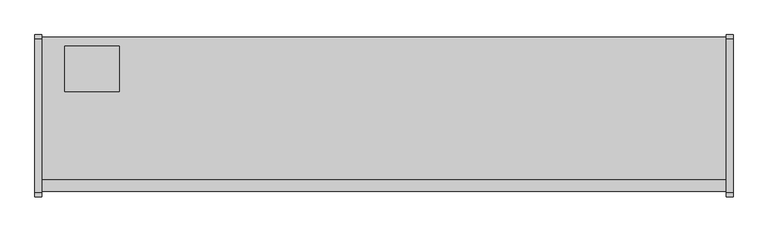
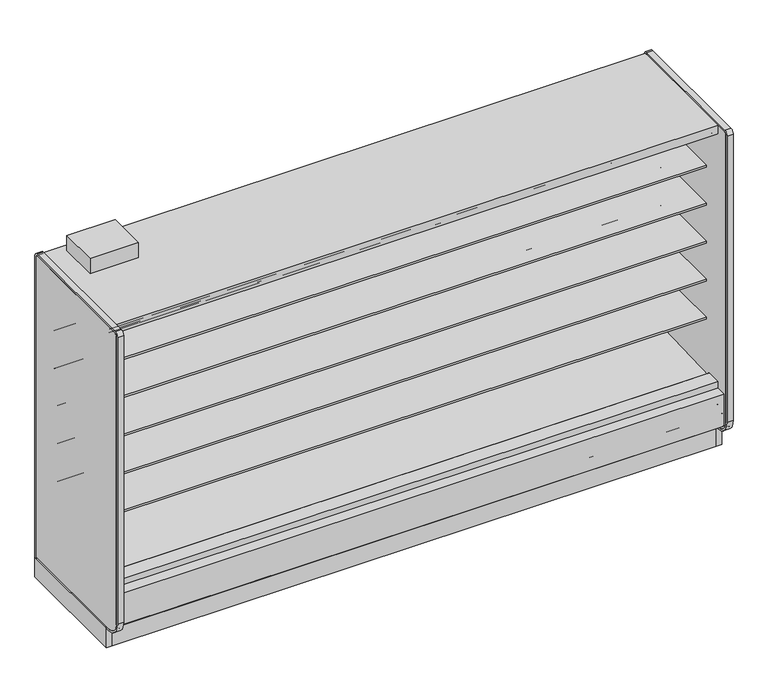
"""IFC4 building model written with IfcOpenShell, lengths in millimetres: proxy geometry."""

from ifc_helpers import new_model, si_unit, point, frame, frame_2d, origin, origin_with_axes, place, context, project, spatial, polyline, circle_curve, trimmed, segment, composite_curve, outline, extrude, source, transform, mapped, element, save


def mechanical_equipment_7a9daabf(model_context):
    return source(origin(), model_context, "Body", "SweptSolid", [
        extrude(outline(polyline([(0.0, -76.2), (0.0, 0.0), (3810.0, 0.0), (3810.0, -76.2), (0.0, -76.2)])), frame((3810.0, -1069.7024444, 2067.8753304), z_axis=(0.0, 0.08686991344759683, 0.9962196635971442), x_axis=(-1.0, 0.0, 0.0)), (0.0, 0.0, 1.0), 13.49375),
        extrude(outline(polyline([(-1116.7224764, 0.0), (-1116.7224764, 200.9830033), (-1104.0224764, 190.326438), (-1104.0224764, 0.0), (-1116.7224764, 0.0)])), frame((0.0, 0.0, 0.0), z_axis=(1.0, 0.0, 0.0), x_axis=(0.0, 1.0, 0.0)), (0.0, 0.0, 1.0), 3810.0),
        extrude(outline(composite_curve([segment(polyline([(-453.852044, 1714.883004), (-464.9599362, 1714.6666869)]), True, "CONTINUOUS"), segment(trimmed(circle_curve(frame_2d((-465.4478819, 1739.7227147)), 25.0607786), [point((-464.9599362, 1714.6666869))], [point((-481.3552045, 1720.3578055))], False, "CARTESIAN"), True, "CONTINUOUS"), segment(polyline([(-481.3552045, 1720.3578055), (-519.5769051, 1751.4410741)]), True, "CONTINUOUS"), segment(trimmed(circle_curve(frame_2d((-559.6413782, 1702.1755893)), 63.5), [point((-519.5769051, 1751.4410741))], [point((-552.7883688, 1765.304713))], True, "CARTESIAN"), True, "CONTINUOUS"), segment(polyline([(-552.7883688, 1765.304713), (-892.1960421, 1797.9152031), (-892.1960421, 1802.1995295), (-1012.652044, 1802.1995295), (-1012.652044, 1815.6932795), (-453.852044, 1815.6932795), (-453.852044, 1714.883004)]), True, "CONTINUOUS")], self_intersect=False)), frame((0.0, 0.0, 0.0), z_axis=(1.0, 0.0, 0.0), x_axis=(0.0, 1.0, 0.0)), (0.0, 0.0, 1.0), 3810.0),
        extrude(outline(composite_curve([segment(polyline([(-453.852044, 698.883004), (-464.9599362, 698.6666869)]), True, "CONTINUOUS"), segment(trimmed(circle_curve(frame_2d((-465.4478819, 723.7227147)), 25.0607786), [point((-464.9599362, 698.6666869))], [point((-481.3552045, 704.3578055))], False, "CARTESIAN"), True, "CONTINUOUS"), segment(polyline([(-481.3552045, 704.3578055), (-519.5769051, 735.4410741)]), True, "CONTINUOUS"), segment(trimmed(circle_curve(frame_2d((-559.6413782, 686.1755893)), 63.5), [point((-519.5769051, 735.4410741))], [point((-552.7883688, 749.304713))], True, "CARTESIAN"), True, "CONTINUOUS"), segment(polyline([(-552.7883688, 749.304713), (-892.1960421, 781.9152031), (-892.1960421, 786.1995295), (-1012.652044, 786.1995295), (-1012.652044, 799.6932795), (-453.852044, 799.6932795), (-453.852044, 698.883004)]), True, "CONTINUOUS")], self_intersect=False)), frame((0.0, 0.0, 0.0), z_axis=(1.0, 0.0, 0.0), x_axis=(0.0, 1.0, 0.0)), (0.0, 0.0, 1.0), 3810.0),
        extrude(outline(composite_curve([segment(polyline([(-453.852044, 952.883004), (-464.9599362, 952.6666869)]), True, "CONTINUOUS"), segment(trimmed(circle_curve(frame_2d((-465.4478819, 977.7227147)), 25.0607786), [point((-464.9599362, 952.6666869))], [point((-481.3552045, 958.3578055))], False, "CARTESIAN"), True, "CONTINUOUS"), segment(polyline([(-481.3552045, 958.3578055), (-519.5769051, 989.4410741)]), True, "CONTINUOUS"), segment(trimmed(circle_curve(frame_2d((-559.6413782, 940.1755893)), 63.5), [point((-519.5769051, 989.4410741))], [point((-552.7883688, 1003.304713))], True, "CARTESIAN"), True, "CONTINUOUS"), segment(polyline([(-552.7883688, 1003.304713), (-892.1960421, 1035.9152031), (-892.1960421, 1040.1995295), (-1012.652044, 1040.1995295), (-1012.652044, 1053.6932795), (-453.852044, 1053.6932795), (-453.852044, 952.883004)]), True, "CONTINUOUS")], self_intersect=False)), frame((0.0, 0.0, 0.0), z_axis=(1.0, 0.0, 0.0), x_axis=(0.0, 1.0, 0.0)), (0.0, 0.0, 1.0), 3810.0),
        extrude(outline(composite_curve([segment(polyline([(-453.852044, 1206.883004), (-464.9599362, 1206.6666869)]), True, "CONTINUOUS"), segment(trimmed(circle_curve(frame_2d((-465.4478819, 1231.7227147)), 25.0607786), [point((-464.9599362, 1206.6666869))], [point((-481.3552045, 1212.3578055))], False, "CARTESIAN"), True, "CONTINUOUS"), segment(polyline([(-481.3552045, 1212.3578055), (-519.5769051, 1243.4410741)]), True, "CONTINUOUS"), segment(trimmed(circle_curve(frame_2d((-559.6413782, 1194.1755893)), 63.5), [point((-519.5769051, 1243.4410741))], [point((-552.7883688, 1257.304713))], True, "CARTESIAN"), True, "CONTINUOUS"), segment(polyline([(-552.7883688, 1257.304713), (-892.1960421, 1289.9152031), (-892.1960421, 1294.1995295), (-1012.652044, 1294.1995295), (-1012.652044, 1307.6932795), (-453.852044, 1307.6932795), (-453.852044, 1206.883004)]), True, "CONTINUOUS")], self_intersect=False)), frame((0.0, 0.0, 0.0), z_axis=(1.0, 0.0, 0.0), x_axis=(0.0, 1.0, 0.0)), (0.0, 0.0, 1.0), 3810.0),
        extrude(outline(composite_curve([segment(polyline([(-453.852044, 1460.883004), (-464.9599362, 1460.6666869)]), True, "CONTINUOUS"), segment(trimmed(circle_curve(frame_2d((-465.4478819, 1485.7227147)), 25.0607786), [point((-464.9599362, 1460.6666869))], [point((-481.3552045, 1466.3578055))], False, "CARTESIAN"), True, "CONTINUOUS"), segment(polyline([(-481.3552045, 1466.3578055), (-519.5769051, 1497.4410741)]), True, "CONTINUOUS"), segment(trimmed(circle_curve(frame_2d((-559.6413782, 1448.1755893)), 63.5), [point((-519.5769051, 1497.4410741))], [point((-552.7883688, 1511.304713))], True, "CARTESIAN"), True, "CONTINUOUS"), segment(polyline([(-552.7883688, 1511.304713), (-892.1960421, 1543.9152031), (-892.1960421, 1548.1995295), (-1012.652044, 1548.1995295), (-1012.652044, 1561.6932795), (-453.852044, 1561.6932795), (-453.852044, 1460.883004)]), True, "CONTINUOUS")], self_intersect=False)), frame((0.0, 0.0, 0.0), z_axis=(1.0, 0.0, 0.0), x_axis=(0.0, 1.0, 0.0)), (0.0, 0.0, 1.0), 3810.0),
        extrude(outline(composite_curve([segment(trimmed(circle_curve(frame_2d((-1205.2112901, 192.5834383)), 3.175), [point((-1203.6237901, 189.8338076))], [point((-1208.3862901, 192.5834383))], False, "CARTESIAN"), True, "CONTINUOUS"), segment(polyline([(-1208.3862901, 192.5834383), (-1208.3862901, 404.4766923), (-1140.7995461, 404.4766923), (-1140.7995461, 389.4530238), (-1191.4362273, 389.4530238), (-1191.4362273, 263.6779615), (-1151.099162, 229.8208457), (-1203.6237901, 189.8338076)]), True, "CONTINUOUS")], self_intersect=False)), frame((0.0, 0.0, 0.0), z_axis=(1.0, 0.0, 0.0), x_axis=(0.0, 1.0, 0.0)), (0.0, 0.0, 1.0), 3810.0),
        extrude(outline(polyline([(-957.9724764, 130.5306), (-957.9724764, 0.0), (-1116.7224764, 0.0), (-1116.7224764, 200.9830033), (-1032.7605717, 130.5306), (-957.9724764, 130.5306)])), frame((0.0, 0.0, 0.0), z_axis=(1.0, 0.0, 0.0), x_axis=(0.0, 1.0, 0.0)), (0.0, 0.0, 1.0), 3810.0),
        extrude(outline(polyline([(431.8, -399.1724764), (431.8, -653.1724764), (127.0, -653.1724764), (127.0, -399.1724764), (431.8, -399.1724764)])), frame((0.0, 0.0, 2160.5892404), z_axis=(0.0, 0.0, 1.0), x_axis=(1.0, 0.0, 0.0)), (0.0, 0.0, 1.0), 100.0107596),
        extrude(outline(polyline([(-1032.7605717, 130.5306), (-1191.4362273, 263.6752841), (-1191.4362273, 389.4530238), (-1140.7995461, 389.4530238), (-1140.7995461, 291.8489814), (-1030.1279807, 198.9845117), (-1014.582444, 199.5273738), (-969.0109428, 166.5598124), (-899.9654388, 168.9709345), (-859.8822128, 202.4654113), (-402.3474764, 229.9627575), (-402.3474764, 2101.1826079), (-1140.7995461, 2101.1826079), (-1140.7995461, 2159.0), (-348.3724764, 2159.0), (-348.3724764, 130.5306), (-1032.7605717, 130.5306)])), frame((0.0, 0.0, 0.0), z_axis=(1.0, 0.0, 0.0), x_axis=(0.0, 1.0, 0.0)), (0.0, 0.0, 1.0), 3810.0),
        extrude(outline(composite_curve([segment(polyline([(-610.9918112, 2075.7826079), (-992.875881, 2075.7826079), (-992.8481892, 2077.4254758), (-1070.7201873, 2084.2158796), (-1070.7201873, 2074.3348079)]), True, "CONTINUOUS"), segment(trimmed(circle_curve(frame_2d((-1073.2601873, 2074.3348079)), 2.54), [point((-1070.7201873, 2074.3348079))], [point((-1073.2601873, 2071.7948079))], False, "CARTESIAN"), True, "CONTINUOUS"), segment(polyline([(-1073.2601873, 2071.7948079), (-1082.4803873, 2071.7948079)]), True, "CONTINUOUS"), segment(trimmed(circle_curve(frame_2d((-1082.4803873, 2074.3348079)), 2.54), [point((-1082.4803873, 2071.7948079))], [point((-1085.0203873, 2074.3348079))], False, "CARTESIAN"), True, "CONTINUOUS"), segment(polyline([(-1085.0203873, 2074.3348079), (-1085.0203873, 2094.529083)]), True, "CONTINUOUS"), segment(trimmed(circle_curve(frame_2d((-1087.5603873, 2094.529083)), 2.54), [point((-1085.0203873, 2094.529083))], [point((-1087.5603873, 2097.069083))], True, "CARTESIAN"), True, "CONTINUOUS"), segment(polyline([(-1087.5603873, 2097.069083), (-1101.5303873, 2097.069083)]), True, "CONTINUOUS"), segment(trimmed(circle_curve(frame_2d((-1101.5303873, 2099.609083)), 2.54), [point((-1101.5303873, 2097.069083))], [point((-1104.0703873, 2099.609083))], False, "CARTESIAN"), True, "CONTINUOUS"), segment(polyline([(-1104.0703873, 2099.609083), (-1104.0703873, 2101.1826079), (-402.3474764, 2101.1826079), (-402.3474764, 445.9092331), (-453.852044, 445.9092331), (-453.852044, 2075.7826079), (-610.9918112, 2075.7826079)]), True, "CONTINUOUS")], self_intersect=False)), frame((0.0, 0.0, 0.0), z_axis=(1.0, 0.0, 0.0), x_axis=(0.0, 1.0, 0.0)), (0.0, 0.0, 1.0), 3810.0),
        extrude(outline(composite_curve([segment(polyline([(-453.852044, 445.9092331), (-402.3474764, 445.9092331), (-402.3474764, 229.9627575), (-859.8822128, 202.4654113), (-899.9654388, 168.9709345), (-969.0109428, 166.5598124), (-1014.582444, 199.5273738), (-1030.1279807, 198.9845117), (-1140.7995461, 291.8489814), (-1140.7995461, 445.9478), (-1046.459444, 445.9478)]), True, "CONTINUOUS"), segment(trimmed(circle_curve(frame_2d((-1046.459444, 443.8904)), 2.0574), [point((-1046.459444, 445.9478))], [point((-1044.402044, 443.8904))], False, "CARTESIAN"), True, "CONTINUOUS"), segment(polyline([(-1044.402044, 443.8904), (-1044.402044, 423.8521774), (-453.852044, 445.9092331)]), True, "CONTINUOUS")], self_intersect=False)), frame((0.0, 0.0, 0.0), z_axis=(1.0, 0.0, 0.0), x_axis=(0.0, 1.0, 0.0)), (0.0, 0.0, 1.0), 3810.0),
        extrude(outline(polyline([(-957.9724764, 0.0), (-957.9724764, 130.5306), (-348.3724764, 130.5306), (-348.3724764, 0.0), (-394.3083324, 0.0), (-394.3083324, 74.8810382), (-886.6366205, 74.8810382), (-886.6366205, 0.0), (-957.9724764, 0.0)])), frame((0.0, 0.0, 0.0), z_axis=(1.0, 0.0, 0.0), x_axis=(0.0, 1.0, 0.0)), (0.0, 0.0, 1.0), 3810.0),
        extrude(outline(composite_curve([segment(polyline([(-1214.1946273, 2159.0), (-361.0724764, 2159.0)]), True, "CONTINUOUS"), segment(trimmed(circle_curve(frame_2d((-361.0724764, 2146.3)), 12.7), [point((-361.0724764, 2159.0))], [point((-348.3724764, 2146.3))], False, "CARTESIAN"), True, "CONTINUOUS"), segment(polyline([(-348.3724764, 2146.3), (-348.3724764, 143.2306), (-1137.9946273, 143.2306)]), True, "CONTINUOUS"), segment(trimmed(circle_curve(frame_2d((-1137.9946273, 232.1306)), 88.9), [point((-1137.9946273, 143.2306))], [point((-1226.8946273, 232.1306))], False, "CARTESIAN"), True, "CONTINUOUS"), segment(polyline([(-1226.8946273, 232.1306), (-1226.8946273, 2146.3)]), True, "CONTINUOUS"), segment(trimmed(circle_curve(frame_2d((-1214.1946273, 2146.3)), 12.7), [point((-1226.8946273, 2146.3))], [point((-1214.1946273, 2159.0))], False, "CARTESIAN"), True, "CONTINUOUS")], self_intersect=False)), frame((-38.1, 0.0, 0.0), z_axis=(1.0, 0.0, 0.0), x_axis=(0.0, 1.0, 0.0)), (0.0, 0.0, 1.0), 38.1),
        extrude(outline(composite_curve([segment(polyline([(-1239.5946273, 232.1306), (-1239.5946273, 2146.3)]), True, "CONTINUOUS"), segment(trimmed(circle_curve(frame_2d((-1214.1946273, 2146.3)), 25.4), [point((-1239.5946273, 2146.3))], [point((-1214.1946273, 2171.7))], False, "CARTESIAN"), True, "CONTINUOUS"), segment(polyline([(-1214.1946273, 2171.7), (-361.0724764, 2171.7)]), True, "CONTINUOUS"), segment(trimmed(circle_curve(frame_2d((-361.0724764, 2146.3)), 25.4), [point((-361.0724764, 2171.7))], [point((-335.6724764, 2146.3))], False, "CARTESIAN"), True, "CONTINUOUS"), segment(polyline([(-335.6724764, 2146.3), (-335.6724764, 130.5306), (-348.3724764, 130.5306), (-348.3724764, 2146.3)]), True, "CONTINUOUS"), segment(trimmed(circle_curve(frame_2d((-361.0724764, 2146.3)), 12.7), [point((-348.3724764, 2146.3))], [point((-361.0724764, 2159.0))], True, "CARTESIAN"), True, "CONTINUOUS"), segment(polyline([(-361.0724764, 2159.0), (-1214.1946273, 2159.0)]), True, "CONTINUOUS"), segment(trimmed(circle_curve(frame_2d((-1214.1946273, 2146.3)), 12.7), [point((-1214.1946273, 2159.0))], [point((-1226.8946273, 2146.3))], True, "CARTESIAN"), True, "CONTINUOUS"), segment(polyline([(-1226.8946273, 2146.3), (-1226.8946273, 232.1306)]), True, "CONTINUOUS"), segment(trimmed(circle_curve(frame_2d((-1137.9946273, 232.1306)), 88.9), [point((-1226.8946273, 232.1306))], [point((-1137.9946273, 143.2306))], True, "CARTESIAN"), True, "CONTINUOUS"), segment(polyline([(-1137.9946273, 143.2306), (-1116.7224764, 143.2306), (-1116.7224764, 130.5306), (-1137.9946273, 130.5306)]), True, "CONTINUOUS"), segment(trimmed(circle_curve(frame_2d((-1137.9946273, 232.1306)), 101.6), [point((-1137.9946273, 130.5306))], [point((-1239.5946273, 232.1306))], False, "CARTESIAN"), True, "CONTINUOUS")], self_intersect=False)), frame((-38.1, 0.0, 0.0), z_axis=(1.0, 0.0, 0.0), x_axis=(0.0, 1.0, 0.0)), (0.0, 0.0, 1.0), 38.1),
        extrude(outline(composite_curve([segment(polyline([(-1239.5946273, 232.1306), (-1239.5946273, 2146.3)]), True, "CONTINUOUS"), segment(trimmed(circle_curve(frame_2d((-1214.1946273, 2146.3)), 25.4), [point((-1239.5946273, 2146.3))], [point((-1214.1946273, 2171.7))], False, "CARTESIAN"), True, "CONTINUOUS"), segment(polyline([(-1214.1946273, 2171.7), (-361.0724764, 2171.7)]), True, "CONTINUOUS"), segment(trimmed(circle_curve(frame_2d((-361.0724764, 2146.3)), 25.4), [point((-361.0724764, 2171.7))], [point((-335.6724764, 2146.3))], False, "CARTESIAN"), True, "CONTINUOUS"), segment(polyline([(-335.6724764, 2146.3), (-335.6724764, 130.5306), (-348.3724764, 130.5306), (-348.3724764, 2146.3)]), True, "CONTINUOUS"), segment(trimmed(circle_curve(frame_2d((-361.0724764, 2146.3)), 12.7), [point((-348.3724764, 2146.3))], [point((-361.0724764, 2159.0))], True, "CARTESIAN"), True, "CONTINUOUS"), segment(polyline([(-361.0724764, 2159.0), (-1214.1946273, 2159.0)]), True, "CONTINUOUS"), segment(trimmed(circle_curve(frame_2d((-1214.1946273, 2146.3)), 12.7), [point((-1214.1946273, 2159.0))], [point((-1226.8946273, 2146.3))], True, "CARTESIAN"), True, "CONTINUOUS"), segment(polyline([(-1226.8946273, 2146.3), (-1226.8946273, 232.1306)]), True, "CONTINUOUS"), segment(trimmed(circle_curve(frame_2d((-1137.9946273, 232.1306)), 88.9), [point((-1226.8946273, 232.1306))], [point((-1137.9946273, 143.2306))], True, "CARTESIAN"), True, "CONTINUOUS"), segment(polyline([(-1137.9946273, 143.2306), (-1116.7224764, 143.2306), (-1116.7224764, 130.5306), (-1137.9946273, 130.5306)]), True, "CONTINUOUS"), segment(trimmed(circle_curve(frame_2d((-1137.9946273, 232.1306)), 101.6), [point((-1137.9946273, 130.5306))], [point((-1239.5946273, 232.1306))], False, "CARTESIAN"), True, "CONTINUOUS")], self_intersect=False)), frame((3810.0, 0.0, 0.0), z_axis=(1.0, 0.0, 0.0), x_axis=(0.0, 1.0, 0.0)), (0.0, 0.0, 1.0), 38.1),
        extrude(outline(composite_curve([segment(polyline([(-1214.1946273, 2159.0), (-361.0724764, 2159.0)]), True, "CONTINUOUS"), segment(trimmed(circle_curve(frame_2d((-361.0724764, 2146.3)), 12.7), [point((-361.0724764, 2159.0))], [point((-348.3724764, 2146.3))], False, "CARTESIAN"), True, "CONTINUOUS"), segment(polyline([(-348.3724764, 2146.3), (-348.3724764, 143.2306), (-1137.9946273, 143.2306)]), True, "CONTINUOUS"), segment(trimmed(circle_curve(frame_2d((-1137.9946273, 232.1306)), 88.9), [point((-1137.9946273, 143.2306))], [point((-1226.8946273, 232.1306))], False, "CARTESIAN"), True, "CONTINUOUS"), segment(polyline([(-1226.8946273, 232.1306), (-1226.8946273, 2146.3)]), True, "CONTINUOUS"), segment(trimmed(circle_curve(frame_2d((-1214.1946273, 2146.3)), 12.7), [point((-1226.8946273, 2146.3))], [point((-1214.1946273, 2159.0))], False, "CARTESIAN"), True, "CONTINUOUS")], self_intersect=False)), frame((3810.0, 0.0, 0.0), z_axis=(1.0, 0.0, 0.0), x_axis=(0.0, 1.0, 0.0)), (0.0, 0.0, 1.0), 38.1),
        extrude(outline(polyline([(3848.1, -335.6724764), (3848.1, -1116.7224764), (3810.0, -1116.7224764), (3810.0, -335.6724764), (3848.1, -335.6724764)])), origin_with_axes(), (0.0, 0.0, 1.0), 143.2306),
        extrude(outline(polyline([(457.2, -1044.3321273), (457.2, -1108.244384), (254.0, -1108.244384), (254.0, -1044.3321273), (457.2, -1044.3321273)])), frame((0.0, 0.0, 44.45), z_axis=(0.0, 0.0, 1.0), x_axis=(1.0, 0.0, 0.0)), (0.0, 0.0, 1.0), 6.35),
        extrude(outline(polyline([(0.0, -335.6724764), (0.0, -1116.7224764), (-38.1, -1116.7224764), (-38.1, -335.6724764), (0.0, -335.6724764)])), origin_with_axes(), (0.0, 0.0, 1.0), 130.5306),
        extrude(outline(composite_curve([segment(trimmed(circle_curve(frame_2d((1905.0, -936.3821273)), 38.1), [point((1866.9, -936.3821273))], [point((1943.1, -936.3821273))], False, "CARTESIAN"), True, "CONTINUOUS"), segment(trimmed(circle_curve(frame_2d((1905.0, -936.3821273)), 38.1), [point((1943.1, -936.3821273))], [point((1866.9, -936.3821273))], False, "CARTESIAN"), True, "CONTINUOUS")], self_intersect=False)), frame((0.0, 0.0, 61.2666507), z_axis=(0.0, 0.0, 1.0), x_axis=(1.0, 0.0, 0.0)), (0.0, 0.0, 1.0), 65.7333493),
        extrude(outline(composite_curve([segment(trimmed(circle_curve(frame_2d((2103.4375, -939.5571273)), 12.7), [point((2090.7375, -939.5571273))], [point((2116.1375, -939.5571273))], False, "CARTESIAN"), True, "CONTINUOUS"), segment(trimmed(circle_curve(frame_2d((2103.4375, -939.5571273)), 12.7), [point((2116.1375, -939.5571273))], [point((2090.7375, -939.5571273))], False, "CARTESIAN"), True, "CONTINUOUS")], self_intersect=False)), frame((0.0, 0.0, 61.2666507), z_axis=(0.0, 0.0, 1.0), x_axis=(1.0, 0.0, 0.0)), (0.0, 0.0, 1.0), 65.7333493),
        extrude(outline(composite_curve([segment(trimmed(circle_curve(frame_2d((2052.6375, -939.5571273)), 9.525), [point((2043.1125, -939.5571273))], [point((2062.1625, -939.5571273))], False, "CARTESIAN"), True, "CONTINUOUS"), segment(trimmed(circle_curve(frame_2d((2052.6375, -939.5571273)), 9.525), [point((2062.1625, -939.5571273))], [point((2043.1125, -939.5571273))], False, "CARTESIAN"), True, "CONTINUOUS")], self_intersect=False)), frame((0.0, 0.0, 61.2666507), z_axis=(0.0, 0.0, 1.0), x_axis=(1.0, 0.0, 0.0)), (0.0, 0.0, 1.0), 65.7333493),
    ])


if __name__ == "__main__":
    model = new_model("IFC4")
    model_context = context("Model", 3, world=origin())
    ifc_project = project(units=[si_unit("LENGTHUNIT", "METRE", prefix="MILLI")], contexts=[model_context])
    site = spatial("IfcSite", under=ifc_project)
    building = spatial("IfcBuilding", under=site)
    placement = place(None, origin())
    mechanical_equipment_shape = mechanical_equipment_7a9daabf(model_context)
    element("IfcBuildingElementProxy", 1, Name="Mechanical Equipment", at=placement, inside=building, context=model_context, shape_type="MappedRepresentation", body=[
        mapped(mechanical_equipment_shape, transform((0.0, 0.0, 0.0), x_axis=(1.0, 0.0, 0.0), y_axis=(0.0, 1.0, 0.0), z_axis=(0.0, 0.0, 1.0))),
    ])
    save(model, "model.ifc")
